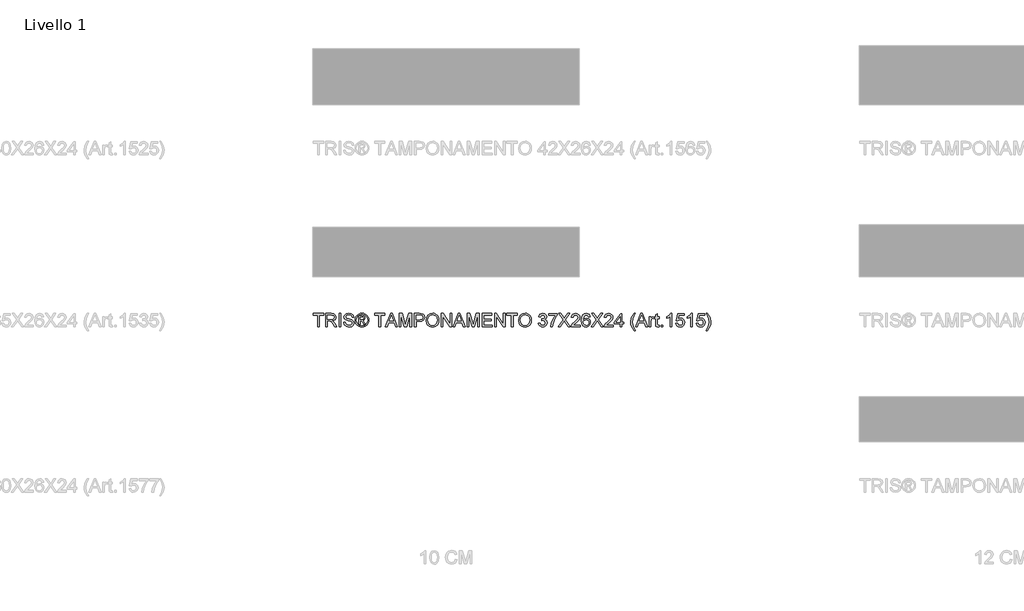
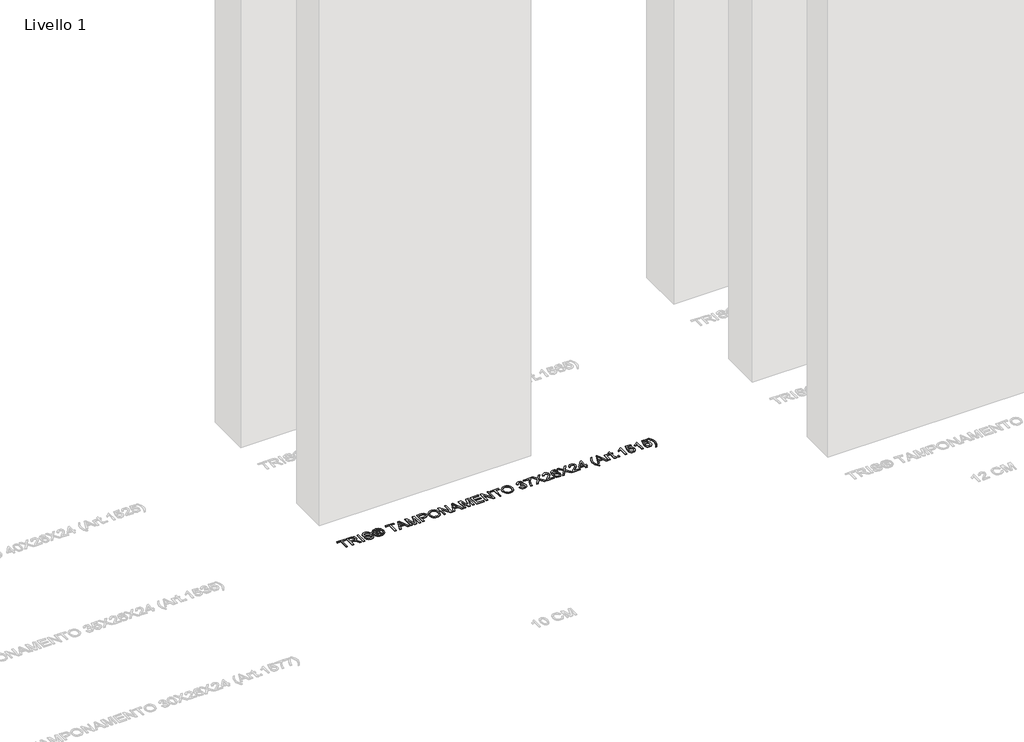
# One storey, part 11 of 16: 1 proxy.
"""IFC4 building model written with IfcOpenShell, lengths in millimetres."""

import ifcopenshell
import ifcopenshell.guid

model = None  # the IFC model being written
_history = None  # IfcOwnerHistory: only IFC2X3 demands one
_inside = {}  # id of a spatial element -> (the spatial element, [elements in it])
_under = {}  # id of a project, library or spatial element -> (it, [spatial elements below it])
_declared = {}  # id of a project -> (the project, [libraries it declares])
_typed = {}  # id of a type object -> (the type object, [elements of that type])
_made_of = {}  # id of a material, layer set ... -> (it, [elements and type objects made of it])


def new_model(schema):
    """Start an empty IFC model of exactly this schema.

    Asked for "IFC4X3", IfcOpenShell would pick the latest addendum, in which some entities
    have other attributes; the version numbers below select the first issue.
    IFC2X3 requires an IfcOwnerHistory on every rooted entity: one is made here for all.
    """
    global model, _history
    if schema == "IFC4X3":
        model = ifcopenshell.file(schema_version=(4, 3, 0, 0))
    else:
        model = ifcopenshell.file(schema=schema)
    _inside.clear()
    _under.clear()
    _declared.clear()
    _typed.clear()
    _made_of.clear()
    _history = None
    if model.schema == "IFC2X3":
        org = make("IfcOrganization", Name="unknown")
        user = make(
            "IfcPersonAndOrganization",
            ThePerson=make("IfcPerson", FamilyName="unknown"),
            TheOrganization=org,
        )
        app = make(
            "IfcApplication",
            ApplicationDeveloper=org,
            Version="unknown",
            ApplicationFullName="unknown",
            ApplicationIdentifier="unknown",
        )
        _history = make(
            "IfcOwnerHistory",
            OwningUser=user,
            OwningApplication=app,
            ChangeAction="ADDED",
            CreationDate=0,
        )
    return model


def make(cls, **values):
    """One entity of the class cls with the attributes given. An attribute that is None is left unset."""
    return model.create_entity(
        cls, **{name: value for name, value in values.items() if value is not None}
    )


def rooted(cls, **values):
    """An entity with a GlobalId (a new one), such as an element, a storey or a relation."""
    return make(cls, GlobalId=ifcopenshell.guid.new(), OwnerHistory=_history, **values)


def si_unit(unit_type, name, prefix=None):
    """IfcSIUnit, for example si_unit("LENGTHUNIT", "METRE", prefix="MILLI")."""
    return make("IfcSIUnit", UnitType=unit_type, Prefix=prefix, Name=name)


def assignment(units):
    """IfcUnitAssignment: the units of a project."""
    return None if units is None else make("IfcUnitAssignment", Units=units)


def point(xyz):
    """IfcCartesianPoint."""
    return None if xyz is None else make("IfcCartesianPoint", Coordinates=xyz)


def direction(xyz):
    """IfcDirection."""
    return None if xyz is None else make("IfcDirection", DirectionRatios=xyz)


def frame(location, z_axis=None, x_axis=None):
    """IfcAxis2Placement3D, a coordinate frame: its origin and axes. An axis left out is left unset."""
    return make(
        "IfcAxis2Placement3D",
        Location=point(location),
        Axis=direction(z_axis),
        RefDirection=direction(x_axis),
    )


def origin():
    """The frame at (0, 0, 0) with its axes left unset."""
    return frame((0.0, 0.0, 0.0))


def origin_with_axes():
    """The frame at (0, 0, 0) with the z axis (0, 0, 1) and the x axis (1, 0, 0) written out."""
    return frame((0.0, 0.0, 0.0), z_axis=(0.0, 0.0, 1.0), x_axis=(1.0, 0.0, 0.0))


def place(relative_to, where):
    """IfcLocalPlacement: puts the frame where relative to a parent placement (None: the world)."""
    return make(
        "IfcLocalPlacement", PlacementRelTo=relative_to, RelativePlacement=where
    )


def context(
    kind, dimensions, precision=None, world=None, true_north=None, identifier=None
):
    """IfcGeometricRepresentationContext, for example the 3D "Model" context."""
    return make(
        "IfcGeometricRepresentationContext",
        ContextIdentifier=identifier,
        ContextType=kind,
        CoordinateSpaceDimension=dimensions,
        Precision=precision,
        WorldCoordinateSystem=world,
        TrueNorth=true_north,
    )


def project(units=None, contexts=None):
    """IfcProject with its units and contexts."""
    return rooted(
        "IfcProject",
        Name="project",
        RepresentationContexts=contexts,
        UnitsInContext=assignment(units),
    )


def spatial(cls, under=None, at=None, **own):
    """A site, building, storey or space (cls), placed at a placement, below another one or the project."""
    s = rooted(cls, ObjectPlacement=at, **own)
    if under is not None:
        _under.setdefault(under.id(), (under, []))[1].append(s)
    return s


def polyline(points):
    """IfcPolyline through the points."""
    return make("IfcPolyline", Points=[point(p) for p in points])


def outline(outer, holes=None, kind="AREA"):
    """IfcArbitraryClosedProfileDef: a profile drawn as a closed curve; with holes, ...WithVoids."""
    if holes is None:
        return make("IfcArbitraryClosedProfileDef", ProfileType=kind, OuterCurve=outer)
    return make(
        "IfcArbitraryProfileDefWithVoids",
        ProfileType=kind,
        OuterCurve=outer,
        InnerCurves=holes,
    )


def extrude(swept, where, along, depth):
    """IfcExtrudedAreaSolid: the profile swept, set in the frame where, extruded along a direction by depth."""
    return make(
        "IfcExtrudedAreaSolid",
        SweptArea=swept,
        Position=where,
        ExtrudedDirection=direction(along),
        Depth=depth,
    )


def shape(context_of_items, identifier, shape_type, items):
    """IfcShapeRepresentation: the items that make up one representation, for example the "Body"."""
    return make(
        "IfcShapeRepresentation",
        ContextOfItems=context_of_items,
        RepresentationIdentifier=identifier,
        RepresentationType=shape_type,
        Items=items,
    )


def made_of(thing, what):
    """Note that an element or type object is made of a material, layer set ...; save() writes the relation."""
    if what is not None:
        _made_of.setdefault(what.id(), (what, []))[1].append(thing)
    return thing


def element(
    cls,
    number,
    at=None,
    inside=None,
    cuts=None,
    type_object=None,
    material=None,
    context=None,
    identifier="Body",
    shape_type=None,
    held_by="IfcProductDefinitionShape",
    body=None,
    shapes=None,
    **own,
):
    """One element of the class cls, such as IfcWall. Its Tag is "e" and its number.

    at: its placement. inside: the storey or other place that contains it. cuts: it is an
    opening in that element (IfcRelVoidsElement). A single representation is given by context,
    identifier, shape_type and body (its items); several are given by shapes. held_by: the class
    of the entity that holds the representations. save() writes the other relations.
    """
    e = rooted(cls, Tag="e%d" % number, ObjectPlacement=at, **own)
    if body is not None:
        shapes = [shape(context, identifier, shape_type, body)]
    if shapes is not None:
        e.Representation = make(held_by, Representations=shapes)
    if inside is not None:
        _inside.setdefault(inside.id(), (inside, []))[1].append(e)
    if cuts is not None:
        rooted(
            "IfcRelVoidsElement", RelatingBuildingElement=cuts, RelatedOpeningElement=e
        )
    if type_object is not None:
        _typed.setdefault(type_object.id(), (type_object, []))[1].append(e)
    return made_of(e, material)


def aggregate(whole, parts):
    """IfcRelAggregates: a whole, such as a stair, and the parts it consists of."""
    return rooted("IfcRelAggregates", RelatingObject=whole, RelatedObjects=parts)


def save(model, path):
    """Write the relations noted so far, then the file.

    IfcRelAggregates (storeys below a building ...), IfcRelContainedInSpatialStructure (elements
    in a storey), IfcRelDefinesByType, IfcRelAssociatesMaterial and IfcRelDeclares: one each for
    every whole, place, type object, material and project.
    """
    for whole, parts in _under.values():
        aggregate(whole, parts)
    for where, things in _inside.values():
        rooted(
            "IfcRelContainedInSpatialStructure",
            RelatedElements=things,
            RelatingStructure=where,
        )
    for kind, things in _typed.values():
        rooted("IfcRelDefinesByType", RelatedObjects=things, RelatingType=kind)
    for what, things in _made_of.values():
        rooted("IfcRelAssociatesMaterial", RelatedObjects=things, RelatingMaterial=what)
    for by, libraries in _declared.values():
        rooted("IfcRelDeclares", RelatingContext=by, RelatedDefinitions=libraries)
    model.write(path)


model = new_model("IFC4")

# Units and contexts
model_context = context("Model", 3, world=origin())
ifc_project = project(units=[si_unit("LENGTHUNIT", "METRE", prefix="MILLI")], contexts=[model_context])

# Site, building, storey
site = spatial("IfcSite", under=ifc_project)
building = spatial("IfcBuilding", under=site)
storey = spatial("IfcBuildingStorey", under=building, Name="Livello 1", Elevation=0.0)

# Proxy
placement = place(None, origin())
element("IfcBuildingElementProxy", 1, Name="100", ObjectType="100", at=placement, inside=storey, context=model_context, shape_type="SweptSolid", body=[
    extrude(outline(polyline([(-1474.7353997, 5999.0708569), (-1474.7353997, 6086.9701283), (-1507.6976265, 6086.9701283), (-1507.6976265, 6099.527167), (-1429.2161342, 6099.527167), (-1429.2161342, 6086.9701283), (-1462.1783609, 6086.9701283), (-1462.1783609, 5999.0708569), (-1474.7353997, 5999.0708569)])), origin_with_axes(), (0.0, 0.0, 1.0), 5.0),
    extrude(outline(polyline([(-1415.0894655, 5999.0708569), (-1415.0894655, 6099.527167), (-1371.8020174, 6099.527167), (-1351.7033978, 6096.817103), (-1340.7159888, 6087.2276457), (-1336.6079732, 6072.0341193), (-1338.3094275, 6062.1380936), (-1343.4137901, 6053.9343251), (-1352.0743454, 6047.9194545), (-1364.4443775, 6044.5901224), (-1357.3074668, 6039.2190453), (-1347.1293983, 6026.2941245), (-1330.3785048, 5999.0708569), (-1344.9711573, 5999.0708569), (-1358.0432308, 6019.8929778), (-1367.4855354, 6033.6762899), (-1374.119674, 6040.1878012), (-1380.0916251, 6042.5790342), (-1387.3756886, 6043.0204926), (-1402.5324268, 6043.0204926), (-1402.5324268, 5999.0708569), (-1415.0894655, 5999.0708569)]), holes=[polyline([(-1402.5324268, 6055.5775314), (-1374.4262423, 6055.5775314), (-1360.0911073, 6057.3556277), (-1351.9486524, 6063.0455359), (-1349.165012, 6071.5681354), (-1354.4747755, 6082.6291207), (-1371.2624572, 6086.9701283), (-1402.5324268, 6086.9701283), (-1402.5324268, 6055.5775314)])]), origin_with_axes(), (0.0, 0.0, 1.0), 5.0),
    extrude(outline(polyline([(-1313.0635255, 5999.0708569), (-1313.0635255, 6099.527167), (-1300.5064868, 6099.527167), (-1300.5064868, 5999.0708569), (-1313.0635255, 5999.0708569)])), origin_with_axes(), (0.0, 0.0, 1.0), 5.0),
    extrude(outline(polyline([(-1280.1012988, 6033.6027135), (-1267.54426, 6033.6027135), (-1263.4975581, 6021.033412), (-1253.6137951, 6013.0871609), (-1238.5551588, 6010.0582658), (-1225.4340343, 6012.3513969), (-1216.9604857, 6018.6544418), (-1214.1768452, 6027.0789395), (-1216.2615099, 6034.914826), (-1224.7963722, 6040.6169969), (-1243.0801073, 6045.4117256), (-1262.7617941, 6051.6044058), (-1273.4426347, 6060.9486085), (-1276.9620391, 6073.4320709), (-1272.6087688, 6087.6445786), (-1259.8923145, 6097.6754943), (-1241.2774856, 6101.0967969), (-1221.4118578, 6097.5160788), (-1208.168106, 6086.9946537), (-1203.1894363, 6071.2738298), (-1215.7464751, 6071.2738298), (-1218.0518689, 6078.7663598), (-1222.8588603, 6084.1742251), (-1240.7869762, 6088.5397581), (-1258.7641431, 6084.2232761), (-1264.4050003, 6073.7999529), (-1260.4073493, 6065.0934123), (-1239.9040594, 6058.0791289), (-1217.6839869, 6051.7760841), (-1205.5316184, 6041.5980155), (-1201.6198065, 6027.3977705), (-1206.1202295, 6012.3759224), (-1219.0696758, 6001.4130389), (-1238.0646495, 5997.5012271), (-1260.4931884, 6001.7196073), (-1274.6811707, 6014.4237988), (-1280.1012988, 6033.6027135)])), origin_with_axes(), (0.0, 0.0, 1.0), 5.0),
    extrude(outline(polyline([(-1165.51832, 6017.9064151), (-1165.51832, 6080.6916089), (-1145.2357593, 6080.6916089), (-1130.177123, 6078.9625635), (-1122.7581694, 6072.9292988), (-1119.9990545, 6063.7690371), (-1124.7569949, 6051.8496605), (-1137.3630846, 6046.1597523), (-1132.4579914, 6042.8242889), (-1123.8986036, 6030.2917756), (-1116.8597948, 6017.9064151), (-1127.4547962, 6017.9064151), (-1132.9730262, 6027.8637544), (-1142.219127, 6042.2847286), (-1150.2389545, 6044.5901224), (-1156.1005409, 6044.5901224), (-1156.1005409, 6017.9064151), (-1165.51832, 6017.9064151)]), holes=[polyline([(-1156.1005409, 6054.0079015), (-1144.1811643, 6054.0079015), (-1132.5315678, 6056.3991345), (-1129.4168336, 6062.7389675), (-1130.912887, 6067.3007043), (-1135.0699535, 6070.2928112), (-1144.9414537, 6071.2738298), (-1156.1005409, 6071.2738298), (-1156.1005409, 6054.0079015)])]), origin_with_axes(), (0.0, 0.0, 1.0), 5.0),
    extrude(outline(polyline([(-1141.9493469, 6101.0967969), (-1129.0550829, 6099.4229338), (-1116.4673873, 6094.4013446), (-1105.4094677, 6086.2650211), (-1097.1045316, 6075.2469554), (-1091.9081985, 6062.5243697), (-1090.1760874, 6049.2744865), (-1091.883673, 6036.1410993), (-1097.0064298, 6023.5227468), (-1105.2101983, 6012.544535), (-1116.160819, 6004.3315694), (-1128.7699744, 5999.2088126), (-1141.9493469, 5997.5012271), (-1155.1103252, 5999.2088126), (-1167.7133492, 6004.3315694), (-1178.673167, 6012.544535), (-1186.9045267, 6023.5227468), (-1192.0548746, 6036.1410993), (-1193.7716572, 6049.2744865), (-1192.0303491, 6062.5243697), (-1186.8064248, 6075.2469554), (-1178.4738976, 6086.2650211), (-1167.4067809, 6094.4013446), (-1154.8252167, 6099.4229338), (-1141.9493469, 6101.0967969)]), holes=[polyline([(-1141.9493469, 6091.6790178), (-1162.7714678, 6086.1975761), (-1171.7999051, 6079.5358463), (-1178.6271818, 6070.5135404), (-1184.3538782, 6049.2744865), (-1178.7375464, 6028.2193737), (-1163.0167224, 6012.5353379), (-1141.9493469, 6006.9190061), (-1120.8697085, 6012.5353379), (-1105.1856728, 6028.2193737), (-1099.5938665, 6049.2744865), (-1105.2837747, 6070.5135404), (-1112.0926573, 6079.5358463), (-1121.1394887, 6086.1975761), (-1141.9493469, 6091.6790178)])]), origin_with_axes(), (0.0, 0.0, 1.0), 5.0),
    extrude(outline(polyline([(-1014.8338548, 5999.0708569), (-1014.8338548, 6086.9701283), (-1047.7960816, 6086.9701283), (-1047.7960816, 6099.527167), (-969.3145893, 6099.527167), (-969.3145893, 6086.9701283), (-1002.276816, 6086.9701283), (-1002.276816, 5999.0708569), (-1014.8338548, 5999.0708569)])), origin_with_axes(), (0.0, 0.0, 1.0), 5.0),
    extrude(outline(polyline([(-966.8865681, 5999.0708569), (-926.7874306, 6099.527167), (-916.0943273, 6099.527167), (-875.9951898, 5999.0708569), (-889.2634671, 5999.0708569), (-900.7659108, 6030.4634538), (-942.1403725, 6030.4634538), (-953.6182908, 5999.0708569), (-966.8865681, 5999.0708569)]), holes=[polyline([(-937.5295849, 6043.0204926), (-905.352173, 6043.0204926), (-914.4020701, 6067.7176372), (-921.4408789, 6086.9701283), (-927.6948729, 6069.8758782), (-937.5295849, 6043.0204926)])]), origin_with_axes(), (0.0, 0.0, 1.0), 5.0),
    extrude(outline(polyline([(-862.5797597, 5999.0708569), (-862.5797597, 6099.527167), (-840.9728239, 6099.527167), (-820.4204831, 6028.7221457), (-816.2756793, 6013.9332895), (-811.7875189, 6029.948419), (-791.5785346, 6099.527167), (-769.9715988, 6099.527167), (-769.9715988, 5999.0708569), (-782.5286376, 5999.0708569), (-782.5286376, 6086.9701283), (-807.7653424, 5999.0708569), (-824.7860161, 5999.0708569), (-850.0227209, 6086.9701283), (-850.0227209, 5999.0708569), (-862.5797597, 5999.0708569)])), origin_with_axes(), (0.0, 0.0, 1.0), 5.0),
    extrude(outline(polyline([(-747.996781, 5999.0708569), (-747.996781, 6099.527167), (-710.767123, 6099.527167), (-695.7575376, 6098.5706739), (-683.5561181, 6093.8740471), (-675.6466552, 6084.1619624), (-672.6545483, 6070.4644894), (-674.6748336, 6058.6248206), (-680.7356895, 6048.7594517), (-692.0695206, 6042.1007876), (-709.9087317, 6039.8812329), (-735.4397422, 6039.8812329), (-735.4397422, 5999.0708569), (-747.996781, 5999.0708569)]), holes=[polyline([(-735.4397422, 6052.4382717), (-709.1729677, 6052.4382717), (-690.6807661, 6057.0490593), (-686.5788819, 6062.5979461), (-685.2115871, 6070.023031), (-688.4366859, 6080.4218288), (-696.9102346, 6086.111737), (-709.4672733, 6086.9701283), (-735.4397422, 6086.9701283), (-735.4397422, 6052.4382717)])]), origin_with_axes(), (0.0, 0.0, 1.0), 5.0),
    extrude(outline(polyline([(-660.0975096, 6047.9746368), (-656.7497834, 6070.1885779), (-646.7066049, 6086.9946537), (-631.3720571, 6097.5712611), (-612.1502229, 6101.0967969), (-598.9739161, 6099.4413279), (-587.1587727, 6094.474921), (-577.3485861, 6086.547064), (-570.18715, 6076.0072448), (-565.8093542, 6063.3643669), (-564.350089, 6049.1273337), (-565.8859963, 6034.7002281), (-570.4937183, 6021.8795406), (-577.9188032, 6011.3213273), (-587.9067994, 6003.6816446), (-599.6207752, 5999.0463314), (-612.2237993, 5997.5012271), (-625.6024412, 5999.2088126), (-637.4850296, 6004.3315694), (-647.2706907, 6012.4065792), (-654.3585504, 6022.9709239), (-660.0975096, 6047.9746368)]), holes=[polyline([(-647.5404708, 6047.8520095), (-645.0296762, 6032.1373169), (-637.4972923, 6020.162758), (-626.1757239, 6012.5843889), (-612.2973757, 6010.0582658), (-598.2166923, 6012.6089143), (-586.8767298, 6020.2608598), (-579.3995282, 6032.6033008), (-576.9071277, 6049.2254356), (-581.1745589, 6069.9494546), (-593.6457585, 6083.6714531), (-612.0766465, 6088.5397581), (-625.5840471, 6086.1945104), (-637.0680967, 6079.1587672), (-644.9223773, 6066.6415824), (-647.5404708, 6047.8520095)])]), origin_with_axes(), (0.0, 0.0, 1.0), 5.0),
    extrude(outline(polyline([(-547.0841607, 5999.0708569), (-547.0841607, 6099.527167), (-533.6442051, 6099.527167), (-481.1597071, 6019.9420288), (-481.1597071, 6099.527167), (-468.6026683, 6099.527167), (-468.6026683, 5999.0708569), (-482.0426239, 5999.0708569), (-534.5271219, 6078.6805207), (-534.5271219, 5999.0708569), (-547.0841607, 5999.0708569)])), origin_with_axes(), (0.0, 0.0, 1.0), 5.0),
    extrude(outline(polyline([(-458.326498, 5999.0708569), (-418.2273605, 6099.527167), (-407.5342571, 6099.527167), (-367.4351197, 5999.0708569), (-380.703397, 5999.0708569), (-392.2058407, 6030.4634538), (-433.5803024, 6030.4634538), (-445.0582207, 5999.0708569), (-458.326498, 5999.0708569)]), holes=[polyline([(-428.9695147, 6043.0204926), (-396.7921029, 6043.0204926), (-405.842, 6067.7176372), (-412.8808088, 6086.9701283), (-419.1348027, 6069.8758782), (-428.9695147, 6043.0204926)])]), origin_with_axes(), (0.0, 0.0, 1.0), 5.0),
    extrude(outline(polyline([(-354.0196896, 5999.0708569), (-354.0196896, 6099.527167), (-332.4127537, 6099.527167), (-311.8604129, 6028.7221457), (-307.7156091, 6013.9332895), (-303.2274488, 6029.948419), (-283.0184645, 6099.527167), (-261.4115287, 6099.527167), (-261.4115287, 5999.0708569), (-273.9685674, 5999.0708569), (-273.9685674, 6086.9701283), (-299.2052723, 5999.0708569), (-316.2259459, 5999.0708569), (-341.4626508, 6086.9701283), (-341.4626508, 5999.0708569), (-354.0196896, 5999.0708569)])), origin_with_axes(), (0.0, 0.0, 1.0), 5.0),
    extrude(outline(polyline([(-239.4367108, 5999.0708569), (-239.4367108, 6099.527167), (-167.2337379, 6099.527167), (-167.2337379, 6086.9701283), (-226.8796721, 6086.9701283), (-226.8796721, 6057.1471612), (-170.3729976, 6057.1471612), (-170.3729976, 6044.5901224), (-226.8796721, 6044.5901224), (-226.8796721, 6011.6278957), (-165.6641081, 6011.6278957), (-165.6641081, 5999.0708569), (-239.4367108, 5999.0708569)])), origin_with_axes(), (0.0, 0.0, 1.0), 5.0),
    extrude(outline(polyline([(-146.8285499, 5999.0708569), (-146.8285499, 6099.527167), (-133.3885943, 6099.527167), (-80.9040964, 6019.9420288), (-80.9040964, 6099.527167), (-68.3470576, 6099.527167), (-68.3470576, 5999.0708569), (-81.7870132, 5999.0708569), (-134.2715111, 6078.6805207), (-134.2715111, 5999.0708569), (-146.8285499, 5999.0708569)])), origin_with_axes(), (0.0, 0.0, 1.0), 5.0),
    extrude(outline(polyline([(-21.2581622, 5999.0708569), (-21.2581622, 6086.9701283), (-54.220389, 6086.9701283), (-54.220389, 6099.527167), (24.2611033, 6099.527167), (24.2611033, 6086.9701283), (-8.7011234, 6086.9701283), (-8.7011234, 5999.0708569), (-21.2581622, 5999.0708569)])), origin_with_axes(), (0.0, 0.0, 1.0), 5.0),
    extrude(outline(polyline([(33.6788824, 6047.9746368), (37.0266086, 6070.1885779), (47.069787, 6086.9946537), (62.4043349, 6097.5712611), (81.6261691, 6101.0967969), (94.8024759, 6099.4413279), (106.6176193, 6094.474921), (116.4278058, 6086.547064), (123.589242, 6076.0072448), (127.9670378, 6063.3643669), (129.426303, 6049.1273337), (127.8903957, 6034.7002281), (123.2826737, 6021.8795406), (115.8575888, 6011.3213273), (105.8695926, 6003.6816446), (94.1556167, 5999.0463314), (81.5525927, 5997.5012271), (68.1739508, 5999.2088126), (56.2913624, 6004.3315694), (46.5057013, 6012.4065792), (39.4178415, 6022.9709239), (33.6788824, 6047.9746368)]), holes=[polyline([(46.2359212, 6047.8520095), (48.7467158, 6032.1373169), (56.2790996, 6020.162758), (67.600668, 6012.5843889), (81.4790163, 6010.0582658), (95.5596997, 6012.6089143), (106.8996622, 6020.2608598), (114.3768637, 6032.6033008), (116.8692642, 6049.2254356), (112.6018331, 6069.9494546), (100.1306335, 6083.6714531), (81.6997455, 6088.5397581), (68.1923449, 6086.1945104), (56.7082953, 6079.1587672), (48.8540147, 6066.6415824), (46.2359212, 6047.8520095)])]), origin_with_axes(), (0.0, 0.0, 1.0), 5.0),
    extrude(outline(polyline([(181.2240879, 6025.7545643), (193.7811267, 6027.3241941), (200.7095709, 6014.1049678), (213.6712799, 6010.0582658), (222.2797186, 6011.450086), (228.92612, 6015.6255467), (234.5915027, 6029.4088588), (228.9751709, 6042.3950932), (214.7013495, 6047.5331784), (205.8967071, 6046.1597523), (207.2946587, 6058.7167911), (209.3057469, 6058.5696383), (223.5550428, 6062.1748818), (228.3007206, 6066.7488813), (229.8826132, 6073.2603926), (225.296351, 6083.0828419), (213.4750762, 6086.9701283), (201.5066486, 6083.0460537), (195.3507565, 6071.2738298), (182.7937178, 6072.8434597), (186.4909318, 6084.1190428), (193.0698882, 6092.5374091), (202.0707343, 6097.7797276), (213.0336178, 6099.527167), (228.1780932, 6096.081339), (238.7730947, 6086.66356), (242.4396519, 6073.9961566), (238.9570357, 6062.4201365), (228.6563398, 6054.1060034), (242.3415501, 6045.5220902), (247.1485415, 6029.1881296), (244.7450458, 6016.9499219), (237.5345587, 6006.7228024), (226.651383, 5999.8066209), (213.2298215, 5997.5012271), (201.0897157, 5999.4693957), (191.2059527, 6005.3739018), (184.3326908, 6014.4054047), (181.2240879, 6025.7545643)])), origin_with_axes(), (0.0, 0.0, 1.0), 5.0),
    extrude(outline(polyline([(258.1359504, 6085.4004984), (258.1359504, 6097.9575372), (324.0604039, 6097.9575372), (324.0604039, 6087.8039941), (305.3597358, 6060.789193), (291.0491262, 6026.3677009), (286.3892876, 5999.0708569), (273.8322489, 5999.0708569), (278.8231813, 6027.3977705), (292.5206542, 6059.4157668), (311.5033652, 6085.4004984), (258.1359504, 6085.4004984)])), origin_with_axes(), (0.0, 0.0, 1.0), 5.0),
    extrude(outline(polyline([(328.7692935, 5999.0708569), (367.4950048, 6053.8116978), (335.0478128, 6099.527167), (350.1064492, 6099.527167), (368.3779216, 6073.7999529), (374.5338137, 6063.7690371), (381.7443008, 6073.9716311), (399.8195695, 6099.527167), (415.098935, 6099.527167), (382.651743, 6053.664545), (421.3774544, 5999.0708569), (406.318818, 5999.0708569), (380.5180275, 6035.466649), (375.1469503, 6043.0204926), (369.2363129, 6034.730885), (344.048659, 5999.0708569), (328.7692935, 5999.0708569)])), origin_with_axes(), (0.0, 0.0, 1.0), 5.0),
    extrude(outline(polyline([(493.5804273, 6011.6278957), (493.5804273, 5999.0708569), (427.6559738, 5999.0708569), (429.0048744, 6007.7283465), (436.6322944, 6021.0579375), (452.3531184, 6035.6138018), (474.0336306, 6056.5340245), (479.4537587, 6070.758795), (474.340199, 6082.2735015), (460.9860825, 6086.9701283), (447.0678804, 6082.3838661), (441.7826424, 6069.7042), (429.2256036, 6071.2738298), (432.2698271, 6083.420067), (438.8518492, 6092.2921545), (448.6283132, 6097.7184139), (461.2558627, 6099.527167), (473.9753826, 6097.5160788), (483.7334526, 6091.4828141), (489.9414612, 6082.4697052), (492.0107975, 6071.5190845), (489.77898, 6059.6119706), (482.3600264, 6047.3001865), (464.3705969, 6030.0955718), (449.9250972, 6018.0167797), (444.2597145, 6011.6278957), (493.5804273, 6011.6278957)])), origin_with_axes(), (0.0, 0.0, 1.0), 5.0),
    extrude(outline(polyline([(570.4922898, 6072.8434597), (557.935251, 6071.2738298), (553.1773105, 6081.7462039), (540.5957463, 6086.9701283), (529.2649808, 6083.9289705), (520.6933303, 6072.5123659), (517.124875, 6050.1328778), (528.198123, 6060.1515308), (541.9201215, 6063.4256806), (553.5206671, 6061.1877318), (563.2572772, 6054.4738854), (569.860759, 6044.2161091), (572.0619196, 6031.3463706), (567.9171158, 6014.0191286), (556.5127739, 6001.7563955), (540.056186, 5997.5012271), (525.8099558, 6000.3216557), (514.4638619, 6008.7829416), (507.0418426, 6023.7189506), (504.5678362, 6045.9635486), (507.3146885, 6070.9733929), (515.5552451, 6088.0737743), (526.8063028, 6096.6638189), (541.3805612, 6099.527167), (552.398627, 6097.7552021), (561.2216635, 6092.4393073), (567.402081, 6083.9964155), (570.4922898, 6072.8434597)]), holes=[polyline([(517.124875, 6031.5425743), (520.0311428, 6020.66553), (527.7566647, 6012.7683299), (539.0751674, 6010.0582658), (547.3617093, 6011.4623488), (553.8762863, 6015.6745976), (558.0977322, 6022.2964735), (559.5048808, 6030.9294377), (558.1161263, 6039.2159796), (553.9498627, 6045.5343529), (547.3249211, 6049.5350696), (538.5601326, 6050.8686418), (523.3666062, 6045.5343529), (518.6853078, 6039.3692638), (517.124875, 6031.5425743)])]), origin_with_axes(), (0.0, 0.0, 1.0), 5.0),
    extrude(outline(polyline([(576.7708091, 5999.0708569), (615.4965205, 6053.8116978), (583.0493285, 6099.527167), (598.1079649, 6099.527167), (616.3794373, 6073.7999529), (622.5353293, 6063.7690371), (629.7458165, 6073.9716311), (647.8210851, 6099.527167), (663.1004507, 6099.527167), (630.6532587, 6053.664545), (669.3789701, 5999.0708569), (654.3203337, 5999.0708569), (628.5195431, 6035.466649), (623.148466, 6043.0204926), (617.2378286, 6034.730885), (592.0501747, 5999.0708569), (576.7708091, 5999.0708569)])), origin_with_axes(), (0.0, 0.0, 1.0), 5.0),
    extrude(outline(polyline([(741.581943, 6011.6278957), (741.581943, 5999.0708569), (675.6574894, 5999.0708569), (677.0063901, 6007.7283465), (684.6338101, 6021.0579375), (700.3546341, 6035.6138018), (722.0351463, 6056.5340245), (727.4552744, 6070.758795), (722.3417146, 6082.2735015), (708.9875982, 6086.9701283), (695.0693961, 6082.3838661), (689.7841581, 6069.7042), (677.2271193, 6071.2738298), (680.2713428, 6083.420067), (686.8533648, 6092.2921545), (696.6298289, 6097.7184139), (709.2573783, 6099.527167), (721.9768983, 6097.5160788), (731.7349682, 6091.4828141), (737.9429769, 6082.4697052), (740.0123131, 6071.5190845), (737.7804957, 6059.6119706), (730.3615421, 6047.3001865), (712.3721126, 6030.0955718), (697.9266129, 6018.0167797), (692.2612302, 6011.6278957), (741.581943, 6011.6278957)])), origin_with_axes(), (0.0, 0.0, 1.0), 5.0),
    extrude(outline(polyline([(794.9493578, 5999.0708569), (794.9493578, 6022.6153046), (749.4300922, 6022.6153046), (749.4300922, 6035.1723434), (798.0886174, 6097.9575372), (807.5063965, 6097.9575372), (807.5063965, 6035.1723434), (820.0634353, 6035.1723434), (820.0634353, 6022.6153046), (807.5063965, 6022.6153046), (807.5063965, 5999.0708569), (794.9493578, 5999.0708569)]), holes=[polyline([(794.9493578, 6035.1723434), (794.9493578, 6073.9716311), (764.881136, 6035.1723434), (794.9493578, 6035.1723434)])]), origin_with_axes(), (0.0, 0.0, 1.0), 5.0),
    extrude(outline(polyline([(898.5449276, 5970.8175197), (880.7149136, 6000.2726048), (875.2518659, 6017.4526939), (873.4308501, 6035.2459198), (878.8755036, 6065.7801254), (898.5449276, 6099.527167), (907.9627067, 6099.527167), (896.2150083, 6079.6370138), (889.151674, 6060.3599973), (885.9878888, 6035.1723434), (891.4815933, 6002.9826688), (907.9627067, 5970.8175197), (898.5449276, 5970.8175197)])), origin_with_axes(), (0.0, 0.0, 1.0), 5.0),
    extrude(outline(polyline([(910.3907278, 5999.0708569), (950.4898653, 6099.527167), (961.1829686, 6099.527167), (1001.2821061, 5999.0708569), (988.0138288, 5999.0708569), (976.5113851, 6030.4634538), (935.1369234, 6030.4634538), (923.6590051, 5999.0708569), (910.3907278, 5999.0708569)]), holes=[polyline([(939.7477111, 6043.0204926), (971.9251229, 6043.0204926), (962.8752258, 6067.7176372), (955.836417, 6086.9701283), (949.5824231, 6069.8758782), (939.7477111, 6043.0204926)])]), origin_with_axes(), (0.0, 0.0, 1.0), 5.0),
    extrude(outline(polyline([(1013.1279064, 5999.0708569), (1013.1279064, 6072.8434597), (1024.1153153, 6072.8434597), (1024.1153153, 6061.9296271), (1031.9144136, 6071.9850683), (1039.7625628, 6074.4130895), (1052.3686525, 6070.5380658), (1048.1747978, 6059.2808768), (1039.3456299, 6061.8560507), (1032.2455074, 6059.3789786), (1027.7205588, 6052.5118481), (1025.6849451, 6037.8456192), (1025.6849451, 5999.0708569), (1013.1279064, 5999.0708569)])), origin_with_axes(), (0.0, 0.0, 1.0), 5.0),
    extrude(outline(polyline([(1086.9005091, 6009.543231), (1088.470139, 5998.7029749), (1079.0768854, 5997.5012271), (1068.5554603, 5999.5858917), (1063.3070105, 6005.0550707), (1061.7864316, 6019.3043666), (1061.7864316, 6060.2864209), (1052.3686525, 6060.2864209), (1052.3686525, 6072.8434597), (1061.7864316, 6072.8434597), (1061.7864316, 6090.7715756), (1074.3434704, 6098.1537409), (1074.3434704, 6072.8434597), (1086.9005091, 6072.8434597), (1086.9005091, 6060.2864209), (1074.3434704, 6060.2864209), (1074.3434704, 6019.6722486), (1075.0056579, 6013.1975255), (1077.1516363, 6010.9043944), (1081.4313301, 6010.0582658), (1086.9005091, 6009.543231)])), origin_with_axes(), (0.0, 0.0, 1.0), 5.0),
    extrude(outline(polyline([(1102.5968076, 5999.0708569), (1102.5968076, 6011.6278957), (1115.1538464, 6011.6278957), (1115.1538464, 5999.0708569), (1102.5968076, 5999.0708569)])), origin_with_axes(), (0.0, 0.0, 1.0), 5.0),
    extrude(outline(polyline([(1182.6479297, 5999.0708569), (1170.090891, 5999.0708569), (1170.090891, 6077.3561455), (1158.1960398, 6068.8825969), (1144.9768134, 6062.5427638), (1144.9768134, 6074.4130895), (1163.3831759, 6086.1607879), (1174.5545258, 6099.527167), (1182.6479297, 6099.527167), (1182.6479297, 5999.0708569)])), origin_with_axes(), (0.0, 0.0, 1.0), 5.0),
    extrude(outline(polyline([(1212.4708968, 6025.7545643), (1225.0279356, 6027.3241941), (1231.3555059, 6014.3870106), (1244.4766304, 6010.0582658), (1253.4774765, 6011.5635163), (1260.2219798, 6016.0792678), (1264.4342286, 6023.0843541), (1265.8383116, 6032.0576091), (1260.577599, 6046.9690927), (1253.9710515, 6051.0709769), (1244.6728341, 6052.4382717), (1233.648637, 6050.2555052), (1226.5975654, 6044.5901224), (1214.0405267, 6046.1597523), (1225.0279356, 6097.9575372), (1273.6864608, 6097.9575372), (1273.6864608, 6085.4004984), (1235.1814786, 6085.4004984), (1229.8104015, 6057.7357724), (1238.7805908, 6063.1804259), (1248.1799758, 6064.9953104), (1259.9123458, 6062.7450989), (1269.6520216, 6055.9944643), (1276.2095182, 6045.7060312), (1278.3953503, 6032.8424241), (1276.4271817, 6020.2853853), (1270.5226756, 6009.543231), (1259.2164357, 6000.511728), (1244.4275795, 5997.5012271), (1232.0943356, 5999.4356732), (1222.2688206, 6005.2390117), (1215.5335144, 6014.2367922), (1212.4708968, 6025.7545643)])), origin_with_axes(), (0.0, 0.0, 1.0), 5.0),
    extrude(outline(polyline([(1336.4716547, 5999.0708569), (1323.9146159, 5999.0708569), (1323.9146159, 6077.3561455), (1312.0197647, 6068.8825969), (1298.8005383, 6062.5427638), (1298.8005383, 6074.4130895), (1317.2069008, 6086.1607879), (1328.3782508, 6099.527167), (1336.4716547, 6099.527167), (1336.4716547, 5999.0708569)])), origin_with_axes(), (0.0, 0.0, 1.0), 5.0),
    extrude(outline(polyline([(1366.2946217, 6025.7545643), (1378.8516605, 6027.3241941), (1385.1792308, 6014.3870106), (1398.3003553, 6010.0582658), (1407.3012015, 6011.5635163), (1414.0457047, 6016.0792678), (1418.2579535, 6023.0843541), (1419.6620365, 6032.0576091), (1414.401324, 6046.9690927), (1407.7947765, 6051.0709769), (1398.496559, 6052.4382717), (1387.4723619, 6050.2555052), (1380.4212903, 6044.5901224), (1367.8642516, 6046.1597523), (1378.8516605, 6097.9575372), (1427.5101857, 6097.9575372), (1427.5101857, 6085.4004984), (1389.0052036, 6085.4004984), (1383.6341264, 6057.7357724), (1392.6043157, 6063.1804259), (1402.0037007, 6064.9953104), (1413.7360707, 6062.7450989), (1423.4757465, 6055.9944643), (1430.0332431, 6045.7060312), (1432.2190753, 6032.8424241), (1430.2509066, 6020.2853853), (1424.3464006, 6009.543231), (1413.0401606, 6000.511728), (1398.2513044, 5997.5012271), (1385.9180605, 5999.4356732), (1376.0925455, 6005.2390117), (1369.3572393, 6014.2367922), (1366.2946217, 6025.7545643)])), origin_with_axes(), (0.0, 0.0, 1.0), 5.0),
    extrude(outline(polyline([(1449.4850036, 5970.8175197), (1440.0672245, 5970.8175197), (1456.5483379, 6002.9826688), (1462.0420423, 6035.1723434), (1458.8782572, 6060.1392681), (1451.8884993, 6079.4408101), (1440.0672245, 6099.527167), (1449.4850036, 6099.527167), (1469.1544276, 6065.7801254), (1474.5990811, 6035.2459198), (1472.7688682, 6017.4526939), (1467.2782294, 6000.2726048), (1449.4850036, 5970.8175197)])), origin_with_axes(), (0.0, 0.0, 1.0), 5.0),
])

save(model, "model.ifc")
